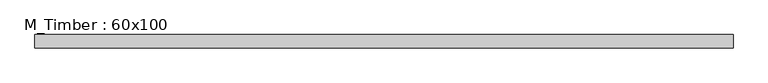
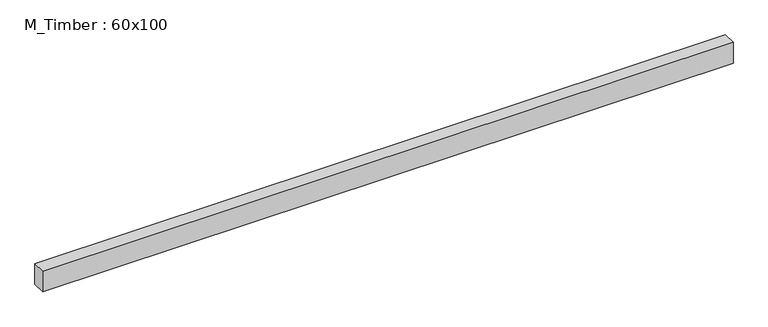
"""IFC4 building model written with IfcOpenShell, lengths in millimetres: beam geometry, M_Timber : 60x100."""

from ifc_helpers import new_model, si_unit, frame, origin, place, context, project, spatial, polyline, outline, extrude, source, transform, mapped, element, save


def m_timber_60x100_3cf3bfb1(model_context):
    return source(origin(), model_context, "Body", "SweptSolid", [
        extrude(outline(polyline([(1477.1345614, 30.0), (1477.1345614, -30.0), (-1670.4692416, -30.0), (-1670.4692416, 30.0), (1477.1345614, 30.0)])), frame((0.0, 0.0, -50.0), z_axis=(0.0, 0.0, 1.0), x_axis=(1.0, 0.0, 0.0)), (0.0, 0.0, 1.0), 100.0),
    ])


if __name__ == "__main__":
    model = new_model("IFC4")
    model_context = context("Model", 3, world=origin())
    ifc_project = project(units=[si_unit("LENGTHUNIT", "METRE", prefix="MILLI")], contexts=[model_context])
    site = spatial("IfcSite", under=ifc_project)
    building = spatial("IfcBuilding", under=site)
    placement = place(None, origin())
    m_timber_60x100_shape = m_timber_60x100_3cf3bfb1(model_context)
    element("IfcBeam", 1, ObjectType="M_Timber : 60x100", at=placement, inside=building, context=model_context, shape_type="MappedRepresentation", body=[
        mapped(m_timber_60x100_shape, transform((0.0, 0.0, 0.0), x_axis=(1.0, 0.0, 0.0), y_axis=(0.0, 1.0, 0.0), z_axis=(0.0, 0.0, 1.0))),
    ])
    save(model, "model.ifc")
